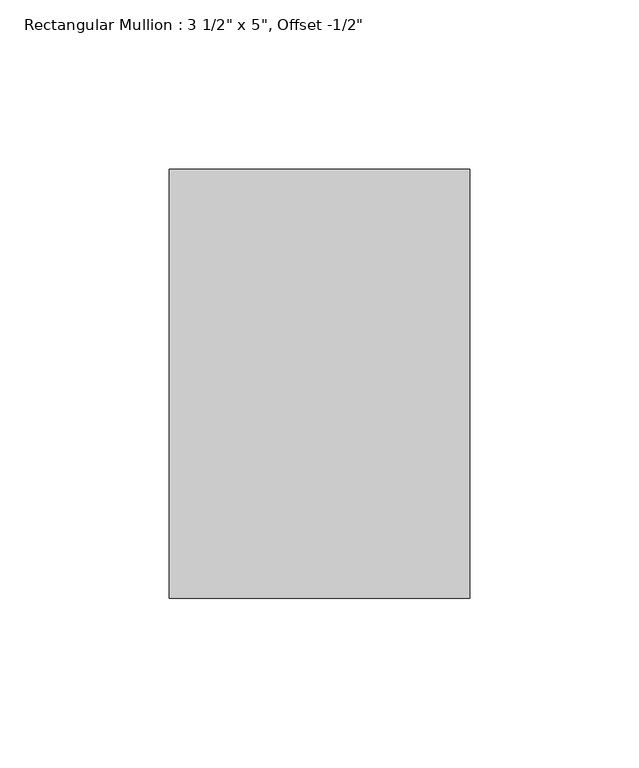
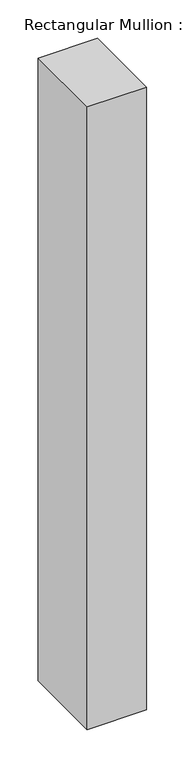
"""IFC4 building model written with IfcOpenShell, lengths in millimetres: member geometry."""

from ifc_helpers import new_model, si_unit, frame, origin, place, context, project, spatial, polyline, outline, extrude, source, transform, mapped, element, save


def member_a5e5bcf5(model_context):
    return source(origin(), model_context, "Body", "SweptSolid", [
        extrude(outline(polyline([(44.45, 76.2), (44.45, -50.8), (-44.45, -50.8), (-44.45, 76.2), (44.45, 76.2)])), frame((0.0, 0.0, -987.425), z_axis=(0.0, 0.0, 1.0), x_axis=(1.0, 0.0, 0.0)), (0.0, 0.0, 1.0), 987.425),
    ])


if __name__ == "__main__":
    model = new_model("IFC4")
    model_context = context("Model", 3, world=origin())
    ifc_project = project(units=[si_unit("LENGTHUNIT", "METRE", prefix="MILLI")], contexts=[model_context])
    site = spatial("IfcSite", under=ifc_project)
    building = spatial("IfcBuilding", under=site)
    placement = place(None, origin())
    member_shape = member_a5e5bcf5(model_context)
    element("IfcMember", 1, ObjectType="Rectangular Mullion : 3 1/2\" x 5\", Offset -1/2\"", at=placement, inside=building, context=model_context, shape_type="MappedRepresentation", body=[
        mapped(member_shape, transform((0.0, 0.0, 0.0), x_axis=(1.0, 0.0, 0.0), y_axis=(0.0, 1.0, 0.0), z_axis=(0.0, 0.0, 1.0))),
    ])
    save(model, "model.ifc")
